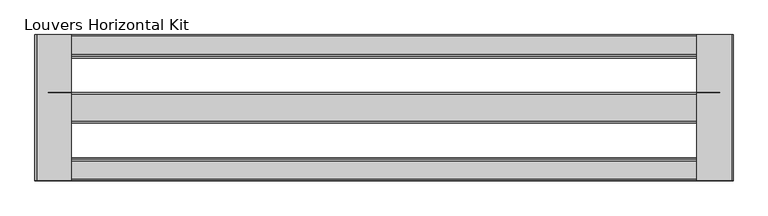
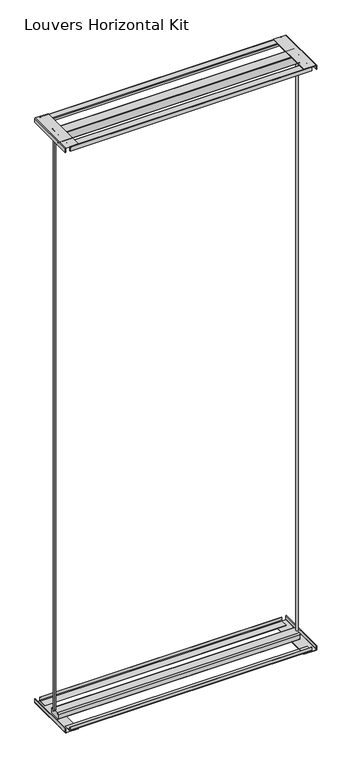
"""IFC4 building model written with IfcOpenShell, lengths in millimetres: proxy geometry, Louvers Horizontal Kit."""

from ifc_helpers import new_model, si_unit, point, frame, frame_2d, origin, place, context, project, spatial, polyline, circle_curve, trimmed, segment, composite_curve, outline, extrude, source, transform, mapped, element, save
from ifc_brep_helpers import plane_surface, extruded_surface, spline_curve, advanced_brep


def louvers_horizontal_kit_d0a2a3df(model_context):
    return source(origin(), model_context, "Body", "SolidModel", [
        advanced_brep(
        [(-740.6080688, 120.8643375, 3016.9358), (-746.9410766, 120.8643375, 3016.9358), (-740.6080688, 120.8643375, 31.115), (-746.9410766, 120.8643375, 31.115)],
        [
            (0, 1, spline_curve(3, [(-740.6080688, 120.8643375, 3016.9358), (-739.746431651, 120.8643375, 3016.9358), (-739.992938619, 122.678814497, 3016.9358), (-739.570795677, 125.557771507, 3016.9358), (-738.597296601, 126.219830558, 3016.9358), (-737.293051679, 125.472512128, 3016.9358), (-736.874695585, 124.437044374, 3016.9358), (-736.111853267, 122.876749386, 3016.9358), (-735.772639749, 122.28921433, 3016.9358), (-735.183039441, 121.966510283, 3016.9358), (-734.927697432, 122.166468989, 3016.9358), (-734.788906304, 123.158462727, 3016.9358), (-734.963673111, 124.030851771, 3016.9358), (-735.761391369, 125.815290115, 3016.9358), (-736.503866149, 126.65959334, 3016.9358), (-738.286815359, 127.456197295, 3016.9358), (-739.30808438, 127.456197285, 3016.9358), (-740.991989813, 126.93883953, 3016.9358), (-741.648862942, 126.413516951, 3016.9358), (-742.706712359, 124.849776593, 3016.9358), (-743.131832089, 123.956570953, 3016.9358), (-743.956038916, 122.979614008, 3016.9358), (-744.354345323, 122.834642391, 3016.9358), (-744.965022803, 123.317250084, 3016.9358), (-745.193448578, 123.690551025, 3016.9358), (-745.726755292, 124.050596217, 3016.9358), (-746.01503674, 123.762314832, 3016.9358), (-747.101641567, 122.082377418, 3016.9358), (-747.816158108, 120.8643375, 3016.9358), (-746.9410766, 120.8643375, 3016.9358)], [4, 2, 2, 2, 2, 2, 2, 2, 2, 2, 2, 2, 2, 2, 4], [0.0, 0.008875458975060613, 0.020481200193104176, 0.029854806107422374, 0.03706210961387012, 0.04368861427224201, 0.051259934554953854, 0.06112024851948062, 0.07042349959220107, 0.079869975820476, 0.08715114258611921, 0.09382589082280558, 0.09814811090978548, 0.10456508278359171, 0.1100107556129994])),
            (1, 0),
            (2, 3),
            (3, 2, spline_curve(3, [(-746.9410766, 120.8643375, 31.115), (-747.816158108, 120.8643375, 31.115), (-747.101641567, 122.082377418, 31.115), (-746.01503674, 123.762314832, 31.115), (-745.726755292, 124.050596217, 31.115), (-745.193448578, 123.690551025, 31.115), (-744.965022803, 123.317250084, 31.115), (-744.354345323, 122.834642391, 31.115), (-743.956038916, 122.979614008, 31.115), (-743.131832089, 123.956570953, 31.115), (-742.706712359, 124.849776593, 31.115), (-741.648862942, 126.413516951, 31.115), (-740.991989813, 126.93883953, 31.115), (-739.30808438, 127.456197285, 31.115), (-738.286815359, 127.456197295, 31.115), (-736.503866149, 126.65959334, 31.115), (-735.761391369, 125.815290115, 31.115), (-734.963673111, 124.030851771, 31.115), (-734.788906304, 123.158462727, 31.115), (-734.927697432, 122.166468989, 31.115), (-735.183039441, 121.966510283, 31.115), (-735.772639749, 122.28921433, 31.115), (-736.111853267, 122.876749386, 31.115), (-736.874695585, 124.437044374, 31.115), (-737.293051679, 125.472512128, 31.115), (-738.597296601, 126.219830558, 31.115), (-739.570795677, 125.557771507, 31.115), (-739.992938619, 122.678814497, 31.115), (-739.746431651, 120.8643375, 31.115), (-740.6080688, 120.8643375, 31.115)], [4, 2, 2, 2, 2, 2, 2, 2, 2, 2, 2, 2, 2, 2, 4], [0.0, 0.005445672829407694, 0.011862644703213923, 0.01618486479019382, 0.022859613026880193, 0.0301407797925234, 0.039587256020798336, 0.04889050709351878, 0.05875082105804555, 0.0663221413407574, 0.07294864599912929, 0.08015594950557703, 0.08952955541989523, 0.10113529663793878, 0.1100107556129994])),
            (0, 2),
            (3, 1),
        ],
        [
            plane_surface(frame((-140.5124567, 122.4609375, 3016.9358), z_axis=(0.0, 0.0, 1.0), x_axis=(0.0, -1.0, 0.0))),
            plane_surface(frame((-140.5124567, 122.4609375, 31.115), z_axis=(0.0, 0.0, -1.0), x_axis=(0.0, -1.0, 0.0))),
            extruded_surface(spline_curve(3, [(-740.6080688, 120.8643375, 31.115), (-739.746431651, 120.8643375, 31.115), (-739.992938619, 122.678814497, 31.115), (-739.570795677, 125.557771507, 31.115), (-738.597296601, 126.219830558, 31.115), (-737.293051679, 125.472512128, 31.115), (-736.874695585, 124.437044374, 31.115), (-736.111853267, 122.876749386, 31.115), (-735.772639749, 122.28921433, 31.115), (-735.183039441, 121.966510283, 31.115), (-734.927697432, 122.166468989, 31.115), (-734.788906304, 123.158462727, 31.115), (-734.963673111, 124.030851771, 31.115), (-735.761391369, 125.815290115, 31.115), (-736.503866149, 126.65959334, 31.115), (-738.286815359, 127.456197295, 31.115), (-739.30808438, 127.456197285, 31.115), (-740.991989813, 126.93883953, 31.115), (-741.648862942, 126.413516951, 31.115), (-742.706712359, 124.849776593, 31.115), (-743.131832089, 123.956570953, 31.115), (-743.956038916, 122.979614008, 31.115), (-744.354345323, 122.834642391, 31.115), (-744.965022803, 123.317250084, 31.115), (-745.193448578, 123.690551025, 31.115), (-745.726755292, 124.050596217, 31.115), (-746.01503674, 123.762314832, 31.115), (-747.101641567, 122.082377418, 31.115), (-747.816158108, 120.8643375, 31.115), (-746.9410766, 120.8643375, 31.115)], [4, 2, 2, 2, 2, 2, 2, 2, 2, 2, 2, 2, 2, 2, 4], [0.0, 0.008875458975060613, 0.020481200193104176, 0.029854806107422374, 0.03706210961387012, 0.04368861427224201, 0.051259934554953854, 0.06112024851948062, 0.07042349959220107, 0.079869975820476, 0.08715114258611921, 0.09382589082280558, 0.09814811090978548, 0.10456508278359171, 0.1100107556129994]), (0.0, 0.0, 2985.8208000000004), 2985.8208000000004),
            plane_surface(frame((-746.9410766, 120.8643375, 3016.9358), z_axis=(0.0, -1.0, 0.0), x_axis=(0.0, 0.0, -1.0))),
        ],
        [
            (0, [[1, 2]]),
            (1, [[3, 4]]),
            (2, [[-1, 5, -4, 6]]),
            (3, [[-2, -6, -3, -5]]),
        ],
    ),
        advanced_brep(
        [(459.5582152, 124.0575375, 3016.9358), (465.8912229, 124.0575375, 3016.9358), (459.5582152, 124.0575375, 31.115), (465.8912229, 124.0575375, 31.115)],
        [
            (0, 1, spline_curve(3, [(459.5582152, 124.0575375, 3016.9358), (458.696578051, 124.0575375, 3016.9358), (458.943085019, 122.243060503, 3016.9358), (458.520942077, 119.364103493, 3016.9358), (457.547443001, 118.702044442, 3016.9358), (456.243198079, 119.449362872, 3016.9358), (455.824841985, 120.484830626, 3016.9358), (455.061999667, 122.045125614, 3016.9358), (454.722786149, 122.63266067, 3016.9358), (454.133185841, 122.955364717, 3016.9358), (453.877843832, 122.755406011, 3016.9358), (453.739052704, 121.763412273, 3016.9358), (453.913819511, 120.891023229, 3016.9358), (454.711537769, 119.106584885, 3016.9358), (455.454012549, 118.26228166, 3016.9358), (457.236961759, 117.465677705, 3016.9358), (458.25823078, 117.465677715, 3016.9358), (459.942136213, 117.98303547, 3016.9358), (460.599009342, 118.508358049, 3016.9358), (461.656858759, 120.072098407, 3016.9358), (462.081978489, 120.965304047, 3016.9358), (462.906185316, 121.942260992, 3016.9358), (463.304491723, 122.087232609, 3016.9358), (463.915169203, 121.604624916, 3016.9358), (464.143594978, 121.231323975, 3016.9358), (464.676901692, 120.871278783, 3016.9358), (464.96518304, 121.159560168, 3016.9358), (466.051787867, 122.839497582, 3016.9358), (466.766304408, 124.0575375, 3016.9358), (465.8912229, 124.0575375, 3016.9358)], [4, 2, 2, 2, 2, 2, 2, 2, 2, 2, 2, 2, 2, 2, 4], [0.0, 0.008875458975060613, 0.020481200193104176, 0.029854806107422374, 0.03706210961387012, 0.04368861427224201, 0.051259934554953854, 0.06112024851948062, 0.07042349959220107, 0.079869975820476, 0.08715114258611921, 0.09382589082280558, 0.09814811090978548, 0.10456508278359171, 0.1100107556129994])),
            (1, 0),
            (2, 3),
            (3, 2, spline_curve(3, [(465.8912229, 124.0575375, 31.115), (466.766304408, 124.0575375, 31.115), (466.051787867, 122.839497582, 31.115), (464.96518304, 121.159560168, 31.115), (464.676901692, 120.871278783, 31.115), (464.143594978, 121.231323975, 31.115), (463.915169203, 121.604624916, 31.115), (463.304491723, 122.087232609, 31.115), (462.906185316, 121.942260992, 31.115), (462.081978489, 120.965304047, 31.115), (461.656858759, 120.072098407, 31.115), (460.599009342, 118.508358049, 31.115), (459.942136213, 117.98303547, 31.115), (458.25823078, 117.465677715, 31.115), (457.236961759, 117.465677705, 31.115), (455.454012549, 118.26228166, 31.115), (454.711537769, 119.106584885, 31.115), (453.913819511, 120.891023229, 31.115), (453.739052704, 121.763412273, 31.115), (453.877843832, 122.755406011, 31.115), (454.133185841, 122.955364717, 31.115), (454.722786149, 122.63266067, 31.115), (455.061999667, 122.045125614, 31.115), (455.824841985, 120.484830626, 31.115), (456.243198079, 119.449362872, 31.115), (457.547443001, 118.702044442, 31.115), (458.520942077, 119.364103493, 31.115), (458.943085019, 122.243060503, 31.115), (458.696578051, 124.0575375, 31.115), (459.5582152, 124.0575375, 31.115)], [4, 2, 2, 2, 2, 2, 2, 2, 2, 2, 2, 2, 2, 2, 4], [0.0, 0.005445672829407694, 0.011862644703213923, 0.01618486479019382, 0.022859613026880193, 0.0301407797925234, 0.039587256020798336, 0.04889050709351878, 0.05875082105804555, 0.0663221413407574, 0.07294864599912929, 0.08015594950557703, 0.08952955541989523, 0.10113529663793878, 0.1100107556129994])),
            (0, 2),
            (3, 1),
        ],
        [
            plane_surface(frame((-140.5124567, 122.4609375, 3016.9358), z_axis=(0.0, 0.0, 1.0), x_axis=(0.0, -1.0, 0.0))),
            plane_surface(frame((-140.5124567, 122.4609375, 31.115), z_axis=(0.0, 0.0, -1.0), x_axis=(0.0, -1.0, 0.0))),
            extruded_surface(spline_curve(3, [(459.5582152, 124.0575375, 31.115), (458.696578051, 124.0575375, 31.115), (458.943085019, 122.243060503, 31.115), (458.520942077, 119.364103493, 31.115), (457.547443001, 118.702044442, 31.115), (456.243198079, 119.449362872, 31.115), (455.824841985, 120.484830626, 31.115), (455.061999667, 122.045125614, 31.115), (454.722786149, 122.63266067, 31.115), (454.133185841, 122.955364717, 31.115), (453.877843832, 122.755406011, 31.115), (453.739052704, 121.763412273, 31.115), (453.913819511, 120.891023229, 31.115), (454.711537769, 119.106584885, 31.115), (455.454012549, 118.26228166, 31.115), (457.236961759, 117.465677705, 31.115), (458.25823078, 117.465677715, 31.115), (459.942136213, 117.98303547, 31.115), (460.599009342, 118.508358049, 31.115), (461.656858759, 120.072098407, 31.115), (462.081978489, 120.965304047, 31.115), (462.906185316, 121.942260992, 31.115), (463.304491723, 122.087232609, 31.115), (463.915169203, 121.604624916, 31.115), (464.143594978, 121.231323975, 31.115), (464.676901692, 120.871278783, 31.115), (464.96518304, 121.159560168, 31.115), (466.051787867, 122.839497582, 31.115), (466.766304408, 124.0575375, 31.115), (465.8912229, 124.0575375, 31.115)], [4, 2, 2, 2, 2, 2, 2, 2, 2, 2, 2, 2, 2, 2, 4], [0.0, 0.008875458975060613, 0.020481200193104176, 0.029854806107422374, 0.03706210961387012, 0.04368861427224201, 0.051259934554953854, 0.06112024851948062, 0.07042349959220107, 0.079869975820476, 0.08715114258611921, 0.09382589082280558, 0.09814811090978548, 0.10456508278359171, 0.1100107556129994]), (0.0, 0.0, 2985.8208000000004), 2985.8208000000004),
            plane_surface(frame((465.8912229, 124.0575375, 3016.9358), z_axis=(0.0, 1.0, 0.0), x_axis=(0.0, 0.0, -1.0))),
        ],
        [
            (0, [[1, 2]]),
            (1, [[3, 4]]),
            (2, [[-1, 5, -4, 6]]),
            (3, [[-2, -6, -3, -5]]),
        ],
    ),
        extrude(outline(composite_curve([segment(polyline([(3057.8565742, -762.8124567), (3038.475, -762.8124567), (3038.475, -761.2249567), (3058.2567188, -761.2249567)]), True, "CONTINUOUS"), segment(trimmed(circle_curve(frame_2d((3058.2567188, -760.3691755)), 0.8557812), [point((3058.2567188, -761.2249567))], [point((3059.1125, -760.3691755))], True, "CARTESIAN"), True, "CONTINUOUS"), segment(polyline([(3059.1125, -760.3691755), (3059.1125, -697.7249567), (3060.7, -697.7249567), (3060.7, -759.9690309)]), True, "CONTINUOUS"), segment(trimmed(circle_curve(frame_2d((3057.8565742, -759.9690309)), 2.8434258), [point((3060.7, -759.9690309))], [point((3057.8565742, -762.8124567))], False, "CARTESIAN"), True, "CONTINUOUS")], self_intersect=False)), frame((0.0, -7.7140625, 0.0), z_axis=(0.0, 1.0, 0.0), x_axis=(0.0, 0.0, 1.0)), (0.0, 0.0, 1.0), 260.35),
        extrude(outline(composite_curve([segment(trimmed(circle_curve(frame_2d((3058.0053761, 479.0929194)), 1.1071239), [point((3059.1125, 479.0929194))], [point((3058.0053761, 480.2000433))], True, "CARTESIAN"), True, "CONTINUOUS"), segment(polyline([(3058.0053761, 480.2000433), (3038.475, 480.2000433), (3038.475, 481.7875433), (3058.0291953, 481.7875433)]), True, "CONTINUOUS"), segment(trimmed(circle_curve(frame_2d((3058.0291953, 479.1167386)), 2.6708047), [point((3058.0291953, 481.7875433))], [point((3060.7, 479.1167386))], False, "CARTESIAN"), True, "CONTINUOUS"), segment(polyline([(3060.7, 479.1167386), (3060.7, 416.7000433), (3059.1125, 416.7000433), (3059.1125, 479.0929194)]), True, "CONTINUOUS")], self_intersect=False)), frame((0.0, -7.7140625, 0.0), z_axis=(0.0, 1.0, 0.0), x_axis=(0.0, 0.0, 1.0)), (0.0, 0.0, 1.0), 260.35),
        extrude(outline(composite_curve([segment(polyline([(22.225, -761.2249567), (22.225, -762.8124567), (2.6985254, -762.8124567)]), True, "CONTINUOUS"), segment(trimmed(circle_curve(frame_2d((2.6985254, -760.1139313)), 2.6985254), [point((2.6985254, -762.8124567))], [point((0.0, -760.1139313))], False, "CARTESIAN"), True, "CONTINUOUS"), segment(polyline([(0.0, -760.1139313), (0.0, -697.7249567), (1.5875, -697.7249567), (1.5875, -760.1071948)]), True, "CONTINUOUS"), segment(trimmed(circle_curve(frame_2d((2.7052619, -760.1071948)), 1.1177619), [point((1.5875, -760.1071948))], [point((2.7052619, -761.2249567))], True, "CARTESIAN"), True, "CONTINUOUS"), segment(polyline([(2.7052619, -761.2249567), (22.225, -761.2249567)]), True, "CONTINUOUS")], self_intersect=False)), frame((0.0, -7.7140625, 0.0), z_axis=(0.0, 1.0, 0.0), x_axis=(0.0, 0.0, 1.0)), (0.0, 0.0, 1.0), 260.35),
        extrude(outline(composite_curve([segment(polyline([(1.5875, 416.7000433), (0.0, 416.7000433), (0.0, 478.7913593)]), True, "CONTINUOUS"), segment(trimmed(circle_curve(frame_2d((2.996184, 478.7913593)), 2.996184), [point((0.0, 478.7913593))], [point((2.996184, 481.7875433))], False, "CARTESIAN"), True, "CONTINUOUS"), segment(polyline([(2.996184, 481.7875433), (22.225, 481.7875433), (22.225, 480.2000433), (2.6812433, 480.2000433)]), True, "CONTINUOUS"), segment(trimmed(circle_curve(frame_2d((2.6812433, 479.1062999)), 1.0937433), [point((2.6812433, 480.2000433))], [point((1.5875, 479.1062999))], True, "CARTESIAN"), True, "CONTINUOUS"), segment(polyline([(1.5875, 479.1062999), (1.5875, 416.7000433)]), True, "CONTINUOUS")], self_intersect=False)), frame((0.0, -7.7140625, 0.0), z_axis=(0.0, 1.0, 0.0), x_axis=(0.0, 0.0, 1.0)), (0.0, 0.0, 1.0), 260.35),
        extrude(outline(composite_curve([segment(polyline([(251.4167375, 3038.2837), (251.4167375, 3056.8957431)]), True, "CONTINUOUS"), segment(trimmed(circle_curve(frame_2d((250.3556806, 3056.8957431)), 1.0610569), [point((251.4167375, 3056.8957431))], [point((250.3556806, 3057.9568))], True, "CARTESIAN"), True, "CONTINUOUS"), segment(polyline([(250.3556806, 3057.9568), (217.0862316, 3057.9568)]), True, "CONTINUOUS"), segment(trimmed(circle_curve(frame_2d((217.0862316, 3057.0067059)), 0.9500941), [point((217.0862316, 3057.9568))], [point((216.1361375, 3057.0067059))], True, "CARTESIAN"), True, "CONTINUOUS"), segment(polyline([(216.1361375, 3057.0067059), (216.1361375, 3046.476), (214.9169375, 3046.476), (214.9169375, 3056.9663772)]), True, "CONTINUOUS"), segment(trimmed(circle_curve(frame_2d((217.1265603, 3056.9663772)), 2.2096228), [point((214.9169375, 3056.9663772))], [point((217.1265603, 3059.176))], False, "CARTESIAN"), True, "CONTINUOUS"), segment(polyline([(217.1265603, 3059.176), (250.3692739, 3059.176)]), True, "CONTINUOUS"), segment(trimmed(circle_curve(frame_2d((250.3692739, 3056.9093364)), 2.2666636), [point((250.3692739, 3059.176))], [point((252.6359375, 3056.9093364))], False, "CARTESIAN"), True, "CONTINUOUS"), segment(polyline([(252.6359375, 3056.9093364), (252.6359375, 3038.2837), (251.4167375, 3038.2837)]), True, "CONTINUOUS")], self_intersect=False)), frame((-739.0126567, 0.0, 0.0), z_axis=(1.0, 0.0, 0.0), x_axis=(0.0, 1.0, 0.0)), (0.0, 0.0, 1.0), 1197.0004),
        extrude(outline(composite_curve([segment(trimmed(circle_curve(frame_2d((147.1993917, 3058.0115342)), 2.6884658), [point((147.1993917, 3060.7))], [point((149.8878575, 3058.0115342))], False, "CARTESIAN"), True, "CONTINUOUS"), segment(polyline([(149.8878575, 3058.0115342), (149.8878575, 3021.8509875)]), True, "CONTINUOUS"), segment(trimmed(circle_curve(frame_2d((144.97267, 3021.8509875)), 4.9151875), [point((149.8878575, 3021.8509875))], [point((144.97267, 3016.9358))], False, "CARTESIAN"), True, "CONTINUOUS"), segment(polyline([(144.97267, 3016.9358), (97.7410837, 3016.9358)]), True, "CONTINUOUS"), segment(trimmed(circle_curve(frame_2d((97.7410837, 3019.6428662)), 2.7070662), [point((97.7410837, 3016.9358))], [point((95.0340175, 3019.6428662))], False, "CARTESIAN"), True, "CONTINUOUS"), segment(polyline([(95.0340175, 3019.6428662), (95.0340175, 3057.9567899)]), True, "CONTINUOUS"), segment(trimmed(circle_curve(frame_2d((97.7772276, 3057.9567899)), 2.7432101), [point((95.0340175, 3057.9567899))], [point((97.7772276, 3060.7))], False, "CARTESIAN"), True, "CONTINUOUS"), segment(polyline([(97.7772276, 3060.7), (147.1993917, 3060.7)]), True, "CONTINUOUS")], self_intersect=False)), frame((-739.0126567, 0.0, 0.0), z_axis=(1.0, 0.0, 0.0), x_axis=(0.0, 1.0, 0.0)), (0.0, 0.0, 1.0), 1197.0004),
        extrude(outline(composite_curve([segment(trimmed(circle_curve(frame_2d((27.7925673, 3056.9636298)), 2.2123702), [point((27.7925673, 3059.176))], [point((30.0049375, 3056.9636298))], False, "CARTESIAN"), True, "CONTINUOUS"), segment(polyline([(30.0049375, 3056.9636298), (30.0049375, 3046.476), (28.7857375, 3046.476), (28.7857375, 3056.9123345)]), True, "CONTINUOUS"), segment(trimmed(circle_curve(frame_2d((27.741272, 3056.9123345)), 1.0444655), [point((28.7857375, 3056.9123345))], [point((27.741272, 3057.9568))], True, "CARTESIAN"), True, "CONTINUOUS"), segment(polyline([(27.741272, 3057.9568), (-5.426417, 3057.9568)]), True, "CONTINUOUS"), segment(trimmed(circle_curve(frame_2d((-5.426417, 3056.8883545)), 1.0684455), [point((-5.426417, 3057.9568))], [point((-6.4948625, 3056.8883545))], True, "CARTESIAN"), True, "CONTINUOUS"), segment(polyline([(-6.4948625, 3056.8883545), (-6.4948625, 3038.2837), (-7.7140625, 3038.2837), (-7.7140625, 3057.0781083)]), True, "CONTINUOUS"), segment(trimmed(circle_curve(frame_2d((-5.6161708, 3057.0781083)), 2.0978917), [point((-7.7140625, 3057.0781083))], [point((-5.6161708, 3059.176))], False, "CARTESIAN"), True, "CONTINUOUS"), segment(polyline([(-5.6161708, 3059.176), (27.7925673, 3059.176)]), True, "CONTINUOUS")], self_intersect=False)), frame((-739.0126567, 0.0, 0.0), z_axis=(1.0, 0.0, 0.0), x_axis=(0.0, 1.0, 0.0)), (0.0, 0.0, 1.0), 1197.0004),
        extrude(outline(composite_curve([segment(polyline([(-3.7463885, 3.04292), (33.5609375, 3.04292), (33.5609375, 1.524), (-3.7920205, 1.524)]), True, "CONTINUOUS"), segment(trimmed(circle_curve(frame_2d((-3.7920205, 5.446042)), 3.922042), [point((-3.7920205, 1.524))], [point((-7.7140625, 5.446042))], False, "CARTESIAN"), True, "CONTINUOUS"), segment(polyline([(-7.7140625, 5.446042), (-7.7140625, 22.1615), (-6.1951425, 22.1615), (-6.1951425, 5.491674)]), True, "CONTINUOUS"), segment(trimmed(circle_curve(frame_2d((-3.7463885, 5.491674)), 2.448754), [point((-6.1951425, 5.491674))], [point((-3.7463885, 3.04292))], True, "CARTESIAN"), True, "CONTINUOUS")], self_intersect=False)), frame((-739.0126567, 0.0, 0.0), z_axis=(1.0, 0.0, 0.0), x_axis=(0.0, 1.0, 0.0)), (0.0, 0.0, 1.0), 1197.0004),
        extrude(outline(composite_curve([segment(trimmed(circle_curve(frame_2d((101.6888175, 24.765)), 6.35), [point((95.3388175, 24.765))], [point((101.6888175, 31.115))], False, "CARTESIAN"), True, "CONTINUOUS"), segment(polyline([(101.6888175, 31.115), (143.2330575, 31.115)]), True, "CONTINUOUS"), segment(trimmed(circle_curve(frame_2d((143.2330575, 24.765)), 6.35), [point((143.2330575, 31.115))], [point((149.5830575, 24.765))], False, "CARTESIAN"), True, "CONTINUOUS"), segment(polyline([(149.5830575, 24.765), (149.5830575, 1.7671503)]), True, "CONTINUOUS"), segment(trimmed(circle_curve(frame_2d((147.8159072, 1.7671503)), 1.7671503), [point((149.5830575, 1.7671503))], [point((147.8159072, 0.0))], False, "CARTESIAN"), True, "CONTINUOUS"), segment(polyline([(147.8159072, 0.0), (97.1991443, 0.0)]), True, "CONTINUOUS"), segment(trimmed(circle_curve(frame_2d((97.1991443, 1.8603268)), 1.8603268), [point((97.1991443, 0.0))], [point((95.3388175, 1.8603268))], False, "CARTESIAN"), True, "CONTINUOUS"), segment(polyline([(95.3388175, 1.8603268), (95.3388175, 24.765)]), True, "CONTINUOUS")], self_intersect=False)), frame((-739.0126567, 0.0, 0.0), z_axis=(1.0, 0.0, 0.0), x_axis=(0.0, 1.0, 0.0)), (0.0, 0.0, 1.0), 1197.0004),
        extrude(outline(composite_curve([segment(polyline([(211.3609375, 3.04292), (248.7131659, 3.04292)]), True, "CONTINUOUS"), segment(trimmed(circle_curve(frame_2d((248.7131659, 5.4467716)), 2.4038516), [point((248.7131659, 3.04292))], [point((251.1170175, 5.4467716))], True, "CARTESIAN"), True, "CONTINUOUS"), segment(polyline([(251.1170175, 5.4467716), (251.1170175, 22.1615), (252.6359375, 22.1615), (252.6359375, 5.4526681)]), True, "CONTINUOUS"), segment(trimmed(circle_curve(frame_2d((248.7072694, 5.4526681)), 3.9286681), [point((252.6359375, 5.4526681))], [point((248.7072694, 1.524))], False, "CARTESIAN"), True, "CONTINUOUS"), segment(polyline([(248.7072694, 1.524), (211.3609375, 1.524), (211.3609375, 3.04292)]), True, "CONTINUOUS")], self_intersect=False)), frame((-739.0126567, 0.0, 0.0), z_axis=(1.0, 0.0, 0.0), x_axis=(0.0, 1.0, 0.0)), (0.0, 0.0, 1.0), 1197.0004),
    ])


if __name__ == "__main__":
    model = new_model("IFC4")
    model_context = context("Model", 3, world=origin())
    ifc_project = project(units=[si_unit("LENGTHUNIT", "METRE", prefix="MILLI")], contexts=[model_context])
    site = spatial("IfcSite", under=ifc_project)
    building = spatial("IfcBuilding", under=site)
    placement = place(None, origin())
    louvers_horizontal_kit_shape = louvers_horizontal_kit_d0a2a3df(model_context)
    element("IfcBuildingElementProxy", 1, Name="Louvers Horizontal Kit", ObjectType="Louvers Horizontal Kit", at=placement, inside=building, context=model_context, shape_type="MappedRepresentation", body=[
        mapped(louvers_horizontal_kit_shape, transform((0.0, 0.0, 0.0), x_axis=(1.0, 0.0, 0.0), y_axis=(0.0, 1.0, 0.0), z_axis=(0.0, 0.0, 1.0))),
    ])
    save(model, "model.ifc")
